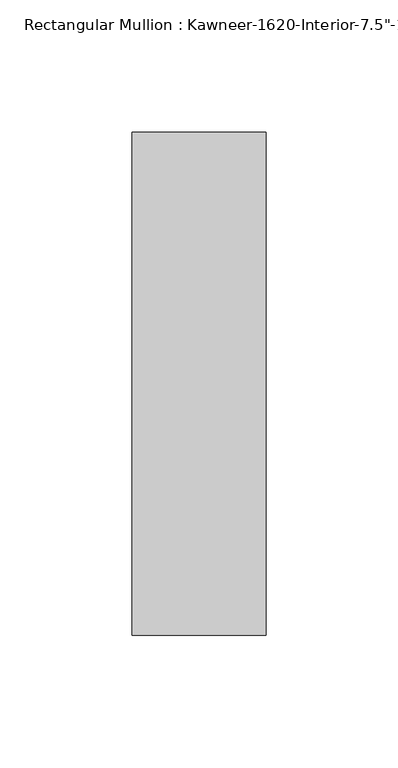
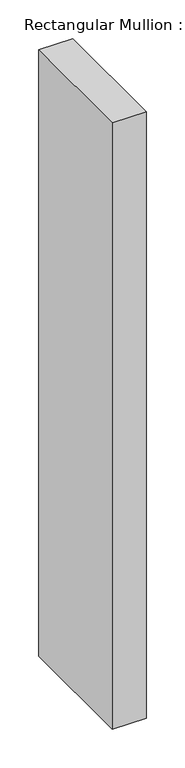
"""IFC4 building model written with IfcOpenShell, lengths in millimetres: member geometry."""

import ifcopenshell
import ifcopenshell.guid

model = None  # the IFC model being written
_history = None  # IfcOwnerHistory: only IFC2X3 demands one
_inside = {}  # id of a spatial element -> (the spatial element, [elements in it])
_under = {}  # id of a project, library or spatial element -> (it, [spatial elements below it])
_declared = {}  # id of a project -> (the project, [libraries it declares])
_typed = {}  # id of a type object -> (the type object, [elements of that type])
_made_of = {}  # id of a material, layer set ... -> (it, [elements and type objects made of it])


def new_model(schema):
    """Start an empty IFC model of exactly this schema.

    Asked for "IFC4X3", IfcOpenShell would pick the latest addendum, in which some entities
    have other attributes; the version numbers below select the first issue.
    IFC2X3 requires an IfcOwnerHistory on every rooted entity: one is made here for all.
    """
    global model, _history
    if schema == "IFC4X3":
        model = ifcopenshell.file(schema_version=(4, 3, 0, 0))
    else:
        model = ifcopenshell.file(schema=schema)
    _inside.clear()
    _under.clear()
    _declared.clear()
    _typed.clear()
    _made_of.clear()
    _history = None
    if model.schema == "IFC2X3":
        org = make("IfcOrganization", Name="unknown")
        user = make(
            "IfcPersonAndOrganization",
            ThePerson=make("IfcPerson", FamilyName="unknown"),
            TheOrganization=org,
        )
        app = make(
            "IfcApplication",
            ApplicationDeveloper=org,
            Version="unknown",
            ApplicationFullName="unknown",
            ApplicationIdentifier="unknown",
        )
        _history = make(
            "IfcOwnerHistory",
            OwningUser=user,
            OwningApplication=app,
            ChangeAction="ADDED",
            CreationDate=0,
        )
    return model


def make(cls, **values):
    """One entity of the class cls with the attributes given. An attribute that is None is left unset."""
    return model.create_entity(
        cls, **{name: value for name, value in values.items() if value is not None}
    )


def rooted(cls, **values):
    """An entity with a GlobalId (a new one), such as an element, a storey or a relation."""
    return make(cls, GlobalId=ifcopenshell.guid.new(), OwnerHistory=_history, **values)


def si_unit(unit_type, name, prefix=None):
    """IfcSIUnit, for example si_unit("LENGTHUNIT", "METRE", prefix="MILLI")."""
    return make("IfcSIUnit", UnitType=unit_type, Prefix=prefix, Name=name)


def assignment(units):
    """IfcUnitAssignment: the units of a project."""
    return None if units is None else make("IfcUnitAssignment", Units=units)


def point(xyz):
    """IfcCartesianPoint."""
    return None if xyz is None else make("IfcCartesianPoint", Coordinates=xyz)


def direction(xyz):
    """IfcDirection."""
    return None if xyz is None else make("IfcDirection", DirectionRatios=xyz)


def frame(location, z_axis=None, x_axis=None):
    """IfcAxis2Placement3D, a coordinate frame: its origin and axes. An axis left out is left unset."""
    return make(
        "IfcAxis2Placement3D",
        Location=point(location),
        Axis=direction(z_axis),
        RefDirection=direction(x_axis),
    )


def origin():
    """The frame at (0, 0, 0) with its axes left unset."""
    return frame((0.0, 0.0, 0.0))


def place(relative_to, where):
    """IfcLocalPlacement: puts the frame where relative to a parent placement (None: the world)."""
    return make(
        "IfcLocalPlacement", PlacementRelTo=relative_to, RelativePlacement=where
    )


def context(
    kind, dimensions, precision=None, world=None, true_north=None, identifier=None
):
    """IfcGeometricRepresentationContext, for example the 3D "Model" context."""
    return make(
        "IfcGeometricRepresentationContext",
        ContextIdentifier=identifier,
        ContextType=kind,
        CoordinateSpaceDimension=dimensions,
        Precision=precision,
        WorldCoordinateSystem=world,
        TrueNorth=true_north,
    )


def project(units=None, contexts=None):
    """IfcProject with its units and contexts."""
    return rooted(
        "IfcProject",
        Name="project",
        RepresentationContexts=contexts,
        UnitsInContext=assignment(units),
    )


def spatial(cls, under=None, at=None, **own):
    """A site, building, storey or space (cls), placed at a placement, below another one or the project."""
    s = rooted(cls, ObjectPlacement=at, **own)
    if under is not None:
        _under.setdefault(under.id(), (under, []))[1].append(s)
    return s


def polyline(points):
    """IfcPolyline through the points."""
    return make("IfcPolyline", Points=[point(p) for p in points])


def outline(outer, holes=None, kind="AREA"):
    """IfcArbitraryClosedProfileDef: a profile drawn as a closed curve; with holes, ...WithVoids."""
    if holes is None:
        return make("IfcArbitraryClosedProfileDef", ProfileType=kind, OuterCurve=outer)
    return make(
        "IfcArbitraryProfileDefWithVoids",
        ProfileType=kind,
        OuterCurve=outer,
        InnerCurves=holes,
    )


def extrude(swept, where, along, depth):
    """IfcExtrudedAreaSolid: the profile swept, set in the frame where, extruded along a direction by depth."""
    return make(
        "IfcExtrudedAreaSolid",
        SweptArea=swept,
        Position=where,
        ExtrudedDirection=direction(along),
        Depth=depth,
    )


def shape(context_of_items, identifier, shape_type, items):
    """IfcShapeRepresentation: the items that make up one representation, for example the "Body"."""
    return make(
        "IfcShapeRepresentation",
        ContextOfItems=context_of_items,
        RepresentationIdentifier=identifier,
        RepresentationType=shape_type,
        Items=items,
    )


def source(mapping_origin, context_of_items, identifier, shape_type, items):
    """IfcRepresentationMap: a shape defined once, which mapped items show again and again."""
    return make(
        "IfcRepresentationMap",
        MappingOrigin=mapping_origin,
        MappedRepresentation=shape(context_of_items, identifier, shape_type, items),
    )


def transform(
    local_origin,
    x_axis=None,
    y_axis=None,
    z_axis=None,
    scale=None,
    scale2=None,
    scale3=None,
    uniform=True,
):
    """IfcCartesianTransformationOperator3D, or its non-uniform kind. x_axis, y_axis, z_axis: its Axis1, 2, 3."""
    if uniform:
        return make(
            "IfcCartesianTransformationOperator3D",
            Axis1=direction(x_axis),
            Axis2=direction(y_axis),
            LocalOrigin=point(local_origin),
            Scale=scale,
            Axis3=direction(z_axis),
        )
    return make(
        "IfcCartesianTransformationOperator3DnonUniform",
        Axis1=direction(x_axis),
        Axis2=direction(y_axis),
        LocalOrigin=point(local_origin),
        Scale=scale,
        Axis3=direction(z_axis),
        Scale2=scale2,
        Scale3=scale3,
    )


def mapped(mapping_source, mapping_target):
    """IfcMappedItem: shows the shape of a source again, moved by a transform."""
    return make(
        "IfcMappedItem", MappingSource=mapping_source, MappingTarget=mapping_target
    )


def made_of(thing, what):
    """Note that an element or type object is made of a material, layer set ...; save() writes the relation."""
    if what is not None:
        _made_of.setdefault(what.id(), (what, []))[1].append(thing)
    return thing


def element(
    cls,
    number,
    at=None,
    inside=None,
    cuts=None,
    type_object=None,
    material=None,
    context=None,
    identifier="Body",
    shape_type=None,
    held_by="IfcProductDefinitionShape",
    body=None,
    shapes=None,
    **own,
):
    """One element of the class cls, such as IfcWall. Its Tag is "e" and its number.

    at: its placement. inside: the storey or other place that contains it. cuts: it is an
    opening in that element (IfcRelVoidsElement). A single representation is given by context,
    identifier, shape_type and body (its items); several are given by shapes. held_by: the class
    of the entity that holds the representations. save() writes the other relations.
    """
    e = rooted(cls, Tag="e%d" % number, ObjectPlacement=at, **own)
    if body is not None:
        shapes = [shape(context, identifier, shape_type, body)]
    if shapes is not None:
        e.Representation = make(held_by, Representations=shapes)
    if inside is not None:
        _inside.setdefault(inside.id(), (inside, []))[1].append(e)
    if cuts is not None:
        rooted(
            "IfcRelVoidsElement", RelatingBuildingElement=cuts, RelatedOpeningElement=e
        )
    if type_object is not None:
        _typed.setdefault(type_object.id(), (type_object, []))[1].append(e)
    return made_of(e, material)


def aggregate(whole, parts):
    """IfcRelAggregates: a whole, such as a stair, and the parts it consists of."""
    return rooted("IfcRelAggregates", RelatingObject=whole, RelatedObjects=parts)


def save(model, path):
    """Write the relations noted so far, then the file.

    IfcRelAggregates (storeys below a building ...), IfcRelContainedInSpatialStructure (elements
    in a storey), IfcRelDefinesByType, IfcRelAssociatesMaterial and IfcRelDeclares: one each for
    every whole, place, type object, material and project.
    """
    for whole, parts in _under.values():
        aggregate(whole, parts)
    for where, things in _inside.values():
        rooted(
            "IfcRelContainedInSpatialStructure",
            RelatedElements=things,
            RelatingStructure=where,
        )
    for kind, things in _typed.values():
        rooted("IfcRelDefinesByType", RelatedObjects=things, RelatingType=kind)
    for what, things in _made_of.values():
        rooted("IfcRelAssociatesMaterial", RelatedObjects=things, RelatingMaterial=what)
    for by, libraries in _declared.values():
        rooted("IfcRelDeclares", RelatingContext=by, RelatedDefinitions=libraries)
    model.write(path)


def member_227772a9(model_context):
    return source(origin(), model_context, "Body", "SweptSolid", [
        extrude(outline(polyline([(25.4, -152.4), (-25.4, -152.4), (-25.4, 38.1), (25.4, 38.1), (25.4, -152.4)])), frame((0.0, 0.0, -958.85), z_axis=(0.0, 0.0, 1.0), x_axis=(1.0, 0.0, 0.0)), (0.0, 0.0, 1.0), 958.85),
    ])


if __name__ == "__main__":
    model = new_model("IFC4")
    model_context = context("Model", 3, world=origin())
    ifc_project = project(units=[si_unit("LENGTHUNIT", "METRE", prefix="MILLI")], contexts=[model_context])
    site = spatial("IfcSite", under=ifc_project)
    building = spatial("IfcBuilding", under=site)
    placement = place(None, origin())
    member_shape = member_227772a9(model_context)
    element("IfcMember", 1, ObjectType="Rectangular Mullion : Kawneer-1620-Interior-7.5\"-1\"Infill", at=placement, inside=building, context=model_context, shape_type="MappedRepresentation", body=[
        mapped(member_shape, transform((0.0, 0.0, 0.0), x_axis=(1.0, 0.0, 0.0), y_axis=(0.0, 1.0, 0.0), z_axis=(0.0, 0.0, 1.0))),
    ])
    save(model, "model.ifc")
